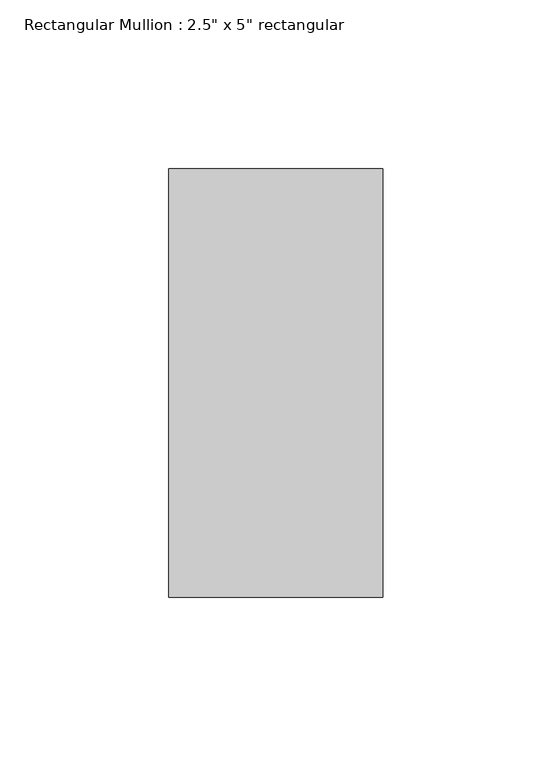
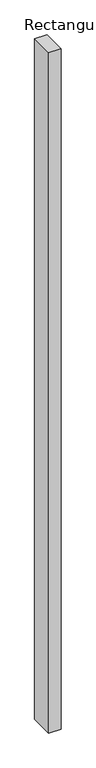
"""IFC4 building model written with IfcOpenShell, lengths in millimetres: member geometry."""

from ifc_helpers import new_model, si_unit, frame, origin, place, context, project, spatial, polyline, outline, extrude, source, transform, mapped, element, save


def member_772fc1d2(model_context):
    return source(origin(), model_context, "Body", "SweptSolid", [
        extrude(outline(polyline([(31.75, 63.5), (31.75, -63.5), (-31.75, -63.5), (-31.75, 63.5), (31.75, 63.5)])), frame((0.0, 0.0, -3752.0524626), z_axis=(0.0, 0.0, 1.0), x_axis=(1.0, 0.0, 0.0)), (0.0, 0.0, 1.0), 3752.0524626),
    ])


if __name__ == "__main__":
    model = new_model("IFC4")
    model_context = context("Model", 3, world=origin())
    ifc_project = project(units=[si_unit("LENGTHUNIT", "METRE", prefix="MILLI")], contexts=[model_context])
    site = spatial("IfcSite", under=ifc_project)
    building = spatial("IfcBuilding", under=site)
    placement = place(None, origin())
    member_shape = member_772fc1d2(model_context)
    element("IfcMember", 1, ObjectType="Rectangular Mullion : 2.5\" x 5\" rectangular", at=placement, inside=building, context=model_context, shape_type="MappedRepresentation", body=[
        mapped(member_shape, transform((0.0, 0.0, 0.0), x_axis=(1.0, 0.0, 0.0), y_axis=(0.0, 1.0, 0.0), z_axis=(0.0, 0.0, 1.0))),
    ])
    save(model, "model.ifc")
